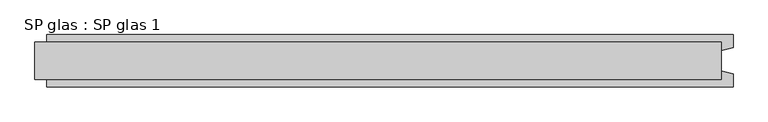
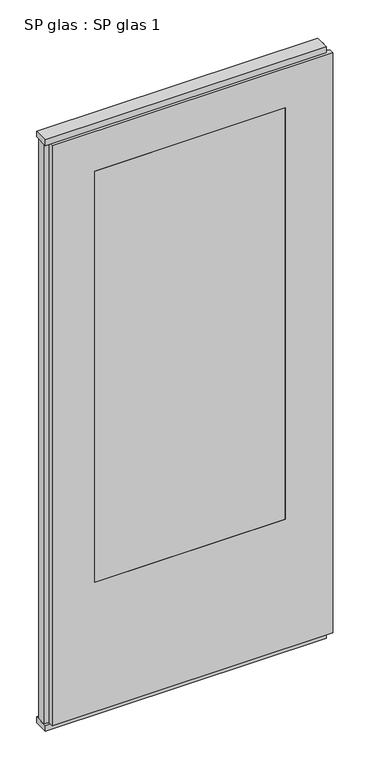
"""IFC4 building model written with IfcOpenShell, lengths in millimetres: plate geometry, SP glas : SP glas 1."""

from ifc_helpers import new_model, si_unit, frame, origin, origin_with_axes, place, context, project, spatial, polyline, outline, extrude, faceted_brep, source, transform, mapped, element, save


def sp_glas_sp_glas_1_0c27f3c3(model_context):
    return source(origin(), model_context, "Body", "SolidModel", [
        extrude(outline(polyline([(590.0, -32.0), (-590.0, -32.0), (-590.0, 32.0), (590.0, 32.0), (590.0, -32.0)])), origin_with_axes(), (0.0, 0.0, 1.0), 25.0),
        extrude(outline(polyline([(590.0, -32.0), (-590.0, -32.0), (-590.0, 32.0), (590.0, 32.0), (590.0, -32.0)])), frame((0.0, 0.0, 2602.0), z_axis=(0.0, 0.0, 1.0), x_axis=(1.0, 0.0, 0.0)), (0.0, 0.0, 1.0), 25.0),
        faceted_brep([(610.0, -45.0, 25.0), (-570.0, -45.0, 25.0), (-570.0, -22.9993165, 25.0), (-590.0, -17.6401049, 25.0), (-590.0, 17.6401049, 25.0), (-570.0, 22.9993165, 25.0), (-570.0, 45.0, 25.0), (610.0, 45.0, 25.0), (610.0, 22.9993165, 25.0), (590.0, 17.6401049, 25.0), (590.0, -17.6401049, 25.0), (610.0, -22.9993165, 25.0), (610.0, -22.9993165, 2602.0), (610.0, -45.0, 2602.0), (590.0, -17.6401049, 2602.0), (590.0, 17.6401049, 2602.0), (610.0, 22.9993165, 2602.0), (610.0, 45.0, 2602.0), (-570.0, 45.0, 2602.0), (-390.0, 45.0, 600.0), (410.0, 45.0, 600.0), (410.0, 45.0, 2427.0), (-390.0, 45.0, 2427.0), (-570.0, 22.9993165, 2602.0), (-590.0, 17.6401049, 2602.0), (-590.0, -17.6401049, 2602.0), (-570.0, -22.9993165, 2602.0), (-570.0, -45.0, 2602.0), (-390.0, -45.0, 2427.0), (410.0, -45.0, 2427.0), (410.0, -45.0, 600.0), (-390.0, -45.0, 600.0)], [[[0, 1, 2, 3, 4, 5, 6, 7, 8, 9, 10, 11]], [[11, 12, 13, 0]], [[10, 14, 12, 11]], [[9, 15, 14, 10]], [[8, 16, 15, 9]], [[7, 17, 16, 8]], [[6, 18, 17, 7], [19, 20, 21, 22]], [[5, 23, 18, 6]], [[4, 24, 23, 5]], [[3, 25, 24, 4]], [[2, 26, 25, 3]], [[1, 27, 26, 2]], [[0, 13, 27, 1], [28, 29, 30, 31]], [[28, 31, 19, 22]], [[30, 29, 21, 20]], [[31, 30, 20, 19]], [[13, 12, 14, 15, 16, 17, 18, 23, 24, 25, 26, 27]], [[22, 21, 29, 28]]]),
        extrude(outline(polyline([(410.0, -45.0), (-390.0, -45.0), (-390.0, 45.0), (410.0, 45.0), (410.0, -45.0)])), frame((0.0, 0.0, 600.0), z_axis=(0.0, 0.0, 1.0), x_axis=(1.0, 0.0, 0.0)), (0.0, 0.0, 1.0), 1827.0),
    ])


if __name__ == "__main__":
    model = new_model("IFC4")
    model_context = context("Model", 3, world=origin())
    ifc_project = project(units=[si_unit("LENGTHUNIT", "METRE", prefix="MILLI")], contexts=[model_context])
    site = spatial("IfcSite", under=ifc_project)
    building = spatial("IfcBuilding", under=site)
    placement = place(None, origin())
    sp_glas_sp_glas_1_shape = sp_glas_sp_glas_1_0c27f3c3(model_context)
    element("IfcPlate", 1, ObjectType="SP glas : SP glas 1", at=placement, inside=building, context=model_context, shape_type="MappedRepresentation", body=[
        mapped(sp_glas_sp_glas_1_shape, transform((0.0, 0.0, 0.0), x_axis=(1.0, 0.0, 0.0), y_axis=(0.0, 1.0, 0.0), z_axis=(0.0, 0.0, 1.0))),
    ])
    save(model, "model.ifc")
